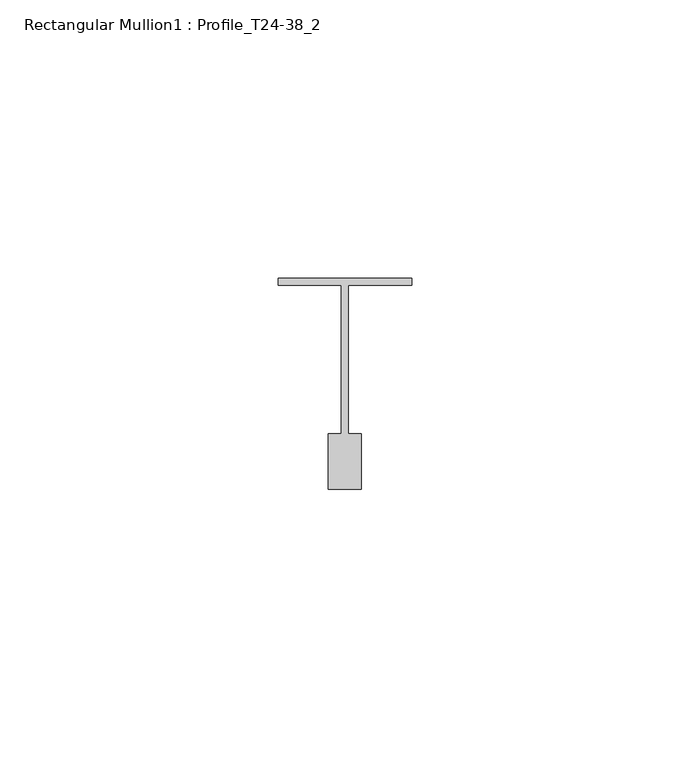
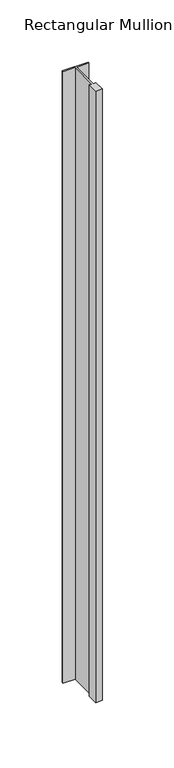
"""IFC4 building model written with IfcOpenShell, lengths in millimetres: member geometry, Rectangular Mullion1 : Profile_T24-38_2."""

import ifcopenshell
import ifcopenshell.guid

model = None  # the IFC model being written
_history = None  # IfcOwnerHistory: only IFC2X3 demands one
_inside = {}  # id of a spatial element -> (the spatial element, [elements in it])
_under = {}  # id of a project, library or spatial element -> (it, [spatial elements below it])
_declared = {}  # id of a project -> (the project, [libraries it declares])
_typed = {}  # id of a type object -> (the type object, [elements of that type])
_made_of = {}  # id of a material, layer set ... -> (it, [elements and type objects made of it])


def new_model(schema):
    """Start an empty IFC model of exactly this schema.

    Asked for "IFC4X3", IfcOpenShell would pick the latest addendum, in which some entities
    have other attributes; the version numbers below select the first issue.
    IFC2X3 requires an IfcOwnerHistory on every rooted entity: one is made here for all.
    """
    global model, _history
    if schema == "IFC4X3":
        model = ifcopenshell.file(schema_version=(4, 3, 0, 0))
    else:
        model = ifcopenshell.file(schema=schema)
    _inside.clear()
    _under.clear()
    _declared.clear()
    _typed.clear()
    _made_of.clear()
    _history = None
    if model.schema == "IFC2X3":
        org = make("IfcOrganization", Name="unknown")
        user = make(
            "IfcPersonAndOrganization",
            ThePerson=make("IfcPerson", FamilyName="unknown"),
            TheOrganization=org,
        )
        app = make(
            "IfcApplication",
            ApplicationDeveloper=org,
            Version="unknown",
            ApplicationFullName="unknown",
            ApplicationIdentifier="unknown",
        )
        _history = make(
            "IfcOwnerHistory",
            OwningUser=user,
            OwningApplication=app,
            ChangeAction="ADDED",
            CreationDate=0,
        )
    return model


def make(cls, **values):
    """One entity of the class cls with the attributes given. An attribute that is None is left unset."""
    return model.create_entity(
        cls, **{name: value for name, value in values.items() if value is not None}
    )


def rooted(cls, **values):
    """An entity with a GlobalId (a new one), such as an element, a storey or a relation."""
    return make(cls, GlobalId=ifcopenshell.guid.new(), OwnerHistory=_history, **values)


def si_unit(unit_type, name, prefix=None):
    """IfcSIUnit, for example si_unit("LENGTHUNIT", "METRE", prefix="MILLI")."""
    return make("IfcSIUnit", UnitType=unit_type, Prefix=prefix, Name=name)


def assignment(units):
    """IfcUnitAssignment: the units of a project."""
    return None if units is None else make("IfcUnitAssignment", Units=units)


def point(xyz):
    """IfcCartesianPoint."""
    return None if xyz is None else make("IfcCartesianPoint", Coordinates=xyz)


def direction(xyz):
    """IfcDirection."""
    return None if xyz is None else make("IfcDirection", DirectionRatios=xyz)


def frame(location, z_axis=None, x_axis=None):
    """IfcAxis2Placement3D, a coordinate frame: its origin and axes. An axis left out is left unset."""
    return make(
        "IfcAxis2Placement3D",
        Location=point(location),
        Axis=direction(z_axis),
        RefDirection=direction(x_axis),
    )


def origin():
    """The frame at (0, 0, 0) with its axes left unset."""
    return frame((0.0, 0.0, 0.0))


def place(relative_to, where):
    """IfcLocalPlacement: puts the frame where relative to a parent placement (None: the world)."""
    return make(
        "IfcLocalPlacement", PlacementRelTo=relative_to, RelativePlacement=where
    )


def context(
    kind, dimensions, precision=None, world=None, true_north=None, identifier=None
):
    """IfcGeometricRepresentationContext, for example the 3D "Model" context."""
    return make(
        "IfcGeometricRepresentationContext",
        ContextIdentifier=identifier,
        ContextType=kind,
        CoordinateSpaceDimension=dimensions,
        Precision=precision,
        WorldCoordinateSystem=world,
        TrueNorth=true_north,
    )


def project(units=None, contexts=None):
    """IfcProject with its units and contexts."""
    return rooted(
        "IfcProject",
        Name="project",
        RepresentationContexts=contexts,
        UnitsInContext=assignment(units),
    )


def spatial(cls, under=None, at=None, **own):
    """A site, building, storey or space (cls), placed at a placement, below another one or the project."""
    s = rooted(cls, ObjectPlacement=at, **own)
    if under is not None:
        _under.setdefault(under.id(), (under, []))[1].append(s)
    return s


def polyline(points):
    """IfcPolyline through the points."""
    return make("IfcPolyline", Points=[point(p) for p in points])


def outline(outer, holes=None, kind="AREA"):
    """IfcArbitraryClosedProfileDef: a profile drawn as a closed curve; with holes, ...WithVoids."""
    if holes is None:
        return make("IfcArbitraryClosedProfileDef", ProfileType=kind, OuterCurve=outer)
    return make(
        "IfcArbitraryProfileDefWithVoids",
        ProfileType=kind,
        OuterCurve=outer,
        InnerCurves=holes,
    )


def extrude(swept, where, along, depth):
    """IfcExtrudedAreaSolid: the profile swept, set in the frame where, extruded along a direction by depth."""
    return make(
        "IfcExtrudedAreaSolid",
        SweptArea=swept,
        Position=where,
        ExtrudedDirection=direction(along),
        Depth=depth,
    )


def shape(context_of_items, identifier, shape_type, items):
    """IfcShapeRepresentation: the items that make up one representation, for example the "Body"."""
    return make(
        "IfcShapeRepresentation",
        ContextOfItems=context_of_items,
        RepresentationIdentifier=identifier,
        RepresentationType=shape_type,
        Items=items,
    )


def source(mapping_origin, context_of_items, identifier, shape_type, items):
    """IfcRepresentationMap: a shape defined once, which mapped items show again and again."""
    return make(
        "IfcRepresentationMap",
        MappingOrigin=mapping_origin,
        MappedRepresentation=shape(context_of_items, identifier, shape_type, items),
    )


def transform(
    local_origin,
    x_axis=None,
    y_axis=None,
    z_axis=None,
    scale=None,
    scale2=None,
    scale3=None,
    uniform=True,
):
    """IfcCartesianTransformationOperator3D, or its non-uniform kind. x_axis, y_axis, z_axis: its Axis1, 2, 3."""
    if uniform:
        return make(
            "IfcCartesianTransformationOperator3D",
            Axis1=direction(x_axis),
            Axis2=direction(y_axis),
            LocalOrigin=point(local_origin),
            Scale=scale,
            Axis3=direction(z_axis),
        )
    return make(
        "IfcCartesianTransformationOperator3DnonUniform",
        Axis1=direction(x_axis),
        Axis2=direction(y_axis),
        LocalOrigin=point(local_origin),
        Scale=scale,
        Axis3=direction(z_axis),
        Scale2=scale2,
        Scale3=scale3,
    )


def mapped(mapping_source, mapping_target):
    """IfcMappedItem: shows the shape of a source again, moved by a transform."""
    return make(
        "IfcMappedItem", MappingSource=mapping_source, MappingTarget=mapping_target
    )


def made_of(thing, what):
    """Note that an element or type object is made of a material, layer set ...; save() writes the relation."""
    if what is not None:
        _made_of.setdefault(what.id(), (what, []))[1].append(thing)
    return thing


def element(
    cls,
    number,
    at=None,
    inside=None,
    cuts=None,
    type_object=None,
    material=None,
    context=None,
    identifier="Body",
    shape_type=None,
    held_by="IfcProductDefinitionShape",
    body=None,
    shapes=None,
    **own,
):
    """One element of the class cls, such as IfcWall. Its Tag is "e" and its number.

    at: its placement. inside: the storey or other place that contains it. cuts: it is an
    opening in that element (IfcRelVoidsElement). A single representation is given by context,
    identifier, shape_type and body (its items); several are given by shapes. held_by: the class
    of the entity that holds the representations. save() writes the other relations.
    """
    e = rooted(cls, Tag="e%d" % number, ObjectPlacement=at, **own)
    if body is not None:
        shapes = [shape(context, identifier, shape_type, body)]
    if shapes is not None:
        e.Representation = make(held_by, Representations=shapes)
    if inside is not None:
        _inside.setdefault(inside.id(), (inside, []))[1].append(e)
    if cuts is not None:
        rooted(
            "IfcRelVoidsElement", RelatingBuildingElement=cuts, RelatedOpeningElement=e
        )
    if type_object is not None:
        _typed.setdefault(type_object.id(), (type_object, []))[1].append(e)
    return made_of(e, material)


def aggregate(whole, parts):
    """IfcRelAggregates: a whole, such as a stair, and the parts it consists of."""
    return rooted("IfcRelAggregates", RelatingObject=whole, RelatedObjects=parts)


def save(model, path):
    """Write the relations noted so far, then the file.

    IfcRelAggregates (storeys below a building ...), IfcRelContainedInSpatialStructure (elements
    in a storey), IfcRelDefinesByType, IfcRelAssociatesMaterial and IfcRelDeclares: one each for
    every whole, place, type object, material and project.
    """
    for whole, parts in _under.values():
        aggregate(whole, parts)
    for where, things in _inside.values():
        rooted(
            "IfcRelContainedInSpatialStructure",
            RelatedElements=things,
            RelatingStructure=where,
        )
    for kind, things in _typed.values():
        rooted("IfcRelDefinesByType", RelatedObjects=things, RelatingType=kind)
    for what, things in _made_of.values():
        rooted("IfcRelAssociatesMaterial", RelatedObjects=things, RelatingMaterial=what)
    for by, libraries in _declared.values():
        rooted("IfcRelDeclares", RelatingContext=by, RelatedDefinitions=libraries)
    model.write(path)


def rectangular_mullion1_profile_t24_38_2_62eba3ec(model_context):
    return source(origin(), model_context, "Body", "SweptSolid", [
        extrude(outline(polyline([(-24.0, -0.5), (0.0, -0.5), (0.0, -1.75), (-11.4, -1.75), (-11.4, -28.5), (-9.0, -28.5), (-9.0, -38.5), (-15.0, -38.5), (-15.0, -28.5), (-12.6, -28.5), (-12.6, -1.75), (-24.0, -1.75), (-24.0, -0.5)])), frame((0.0, 0.0, -600.0), z_axis=(0.0, 0.0, 1.0), x_axis=(1.0, 0.0, 0.0)), (0.0, 0.0, 1.0), 600.0),
    ])


if __name__ == "__main__":
    model = new_model("IFC4")
    model_context = context("Model", 3, world=origin())
    ifc_project = project(units=[si_unit("LENGTHUNIT", "METRE", prefix="MILLI")], contexts=[model_context])
    site = spatial("IfcSite", under=ifc_project)
    building = spatial("IfcBuilding", under=site)
    placement = place(None, origin())
    rectangular_mullion1_profile_t24_38_2_shape = rectangular_mullion1_profile_t24_38_2_62eba3ec(model_context)
    element("IfcMember", 1, ObjectType="Rectangular Mullion1 : Profile_T24-38_2", at=placement, inside=building, context=model_context, shape_type="MappedRepresentation", body=[
        mapped(rectangular_mullion1_profile_t24_38_2_shape, transform((0.0, 0.0, 0.0), x_axis=(1.0, 0.0, 0.0), y_axis=(0.0, 1.0, 0.0), z_axis=(0.0, 0.0, 1.0))),
    ])
    save(model, "model.ifc")
